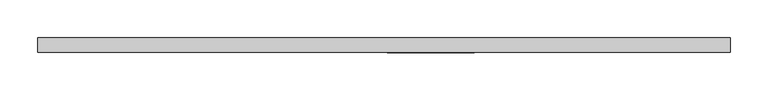
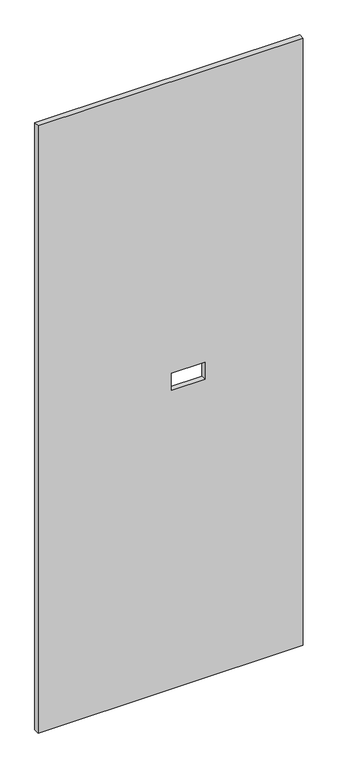
"""IFC4 building model written with IfcOpenShell, lengths in millimetres: proxy geometry."""

from ifc_helpers import new_model, si_unit, frame, origin, place, context, project, spatial, polyline, outline, extrude, source, transform, mapped, element, save


def specialty_equipment_62613cb0(model_context):
    return source(origin(), model_context, "Body", "SweptSolid", [
        extrude(outline(polyline([(2206.625, -455.3204), (3.175, -455.3204), (3.175, 455.3204), (2206.625, 455.3204), (2206.625, -455.3204)]), holes=[polyline([(1086.485, 118.872), (1086.485, 4.064), (1148.715, 4.064), (1148.715, 118.872), (1086.485, 118.872)])]), frame((0.0, -9.525, 0.0), z_axis=(0.0, 1.0, 0.0), x_axis=(0.0, 0.0, 1.0)), (0.0, 0.0, 1.0), 19.05),
    ])


if __name__ == "__main__":
    model = new_model("IFC4")
    model_context = context("Model", 3, world=origin())
    ifc_project = project(units=[si_unit("LENGTHUNIT", "METRE", prefix="MILLI")], contexts=[model_context])
    site = spatial("IfcSite", under=ifc_project)
    building = spatial("IfcBuilding", under=site)
    placement = place(None, origin())
    specialty_equipment_shape = specialty_equipment_62613cb0(model_context)
    element("IfcBuildingElementProxy", 1, Name="Specialty Equipment", at=placement, inside=building, context=model_context, shape_type="MappedRepresentation", body=[
        mapped(specialty_equipment_shape, transform((0.0, 0.0, 0.0), x_axis=(1.0, 0.0, 0.0), y_axis=(0.0, 1.0, 0.0), z_axis=(0.0, 0.0, 1.0))),
    ])
    save(model, "model.ifc")
